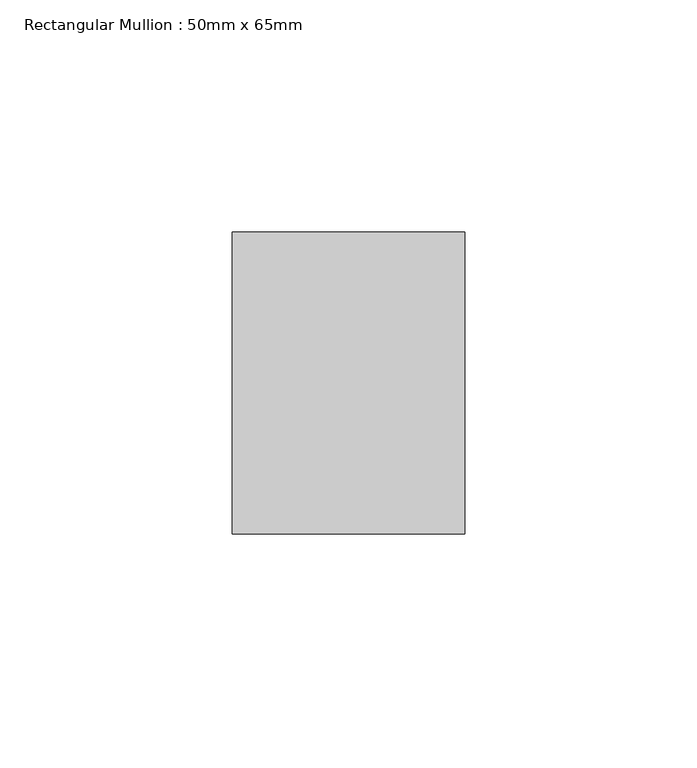
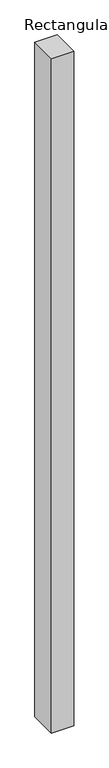
"""IFC4 building model written with IfcOpenShell, lengths in millimetres: member geometry, Rectangular Mullion : 50mm x 65mm."""

from ifc_helpers import new_model, si_unit, frame, origin, place, context, project, spatial, polyline, outline, extrude, source, transform, mapped, element, save


def rectangular_mullion_50mm_x_65mm_b4cef5b6(model_context):
    return source(origin(), model_context, "Body", "SweptSolid", [
        extrude(outline(polyline([(25.0, 32.5), (25.0, -32.5), (-25.0, -32.5), (-25.0, 32.5), (25.0, 32.5)])), frame((0.0, 0.0, -1612.9643073), z_axis=(0.0, 0.0, 1.0), x_axis=(1.0, 0.0, 0.0)), (0.0, 0.0, 1.0), 1612.9643073),
    ])


if __name__ == "__main__":
    model = new_model("IFC4")
    model_context = context("Model", 3, world=origin())
    ifc_project = project(units=[si_unit("LENGTHUNIT", "METRE", prefix="MILLI")], contexts=[model_context])
    site = spatial("IfcSite", under=ifc_project)
    building = spatial("IfcBuilding", under=site)
    placement = place(None, origin())
    rectangular_mullion_50mm_x_65mm_shape = rectangular_mullion_50mm_x_65mm_b4cef5b6(model_context)
    element("IfcMember", 1, ObjectType="Rectangular Mullion : 50mm x 65mm", at=placement, inside=building, context=model_context, shape_type="MappedRepresentation", body=[
        mapped(rectangular_mullion_50mm_x_65mm_shape, transform((0.0, 0.0, 0.0), x_axis=(1.0, 0.0, 0.0), y_axis=(0.0, 1.0, 0.0), z_axis=(0.0, 0.0, 1.0))),
    ])
    save(model, "model.ifc")
